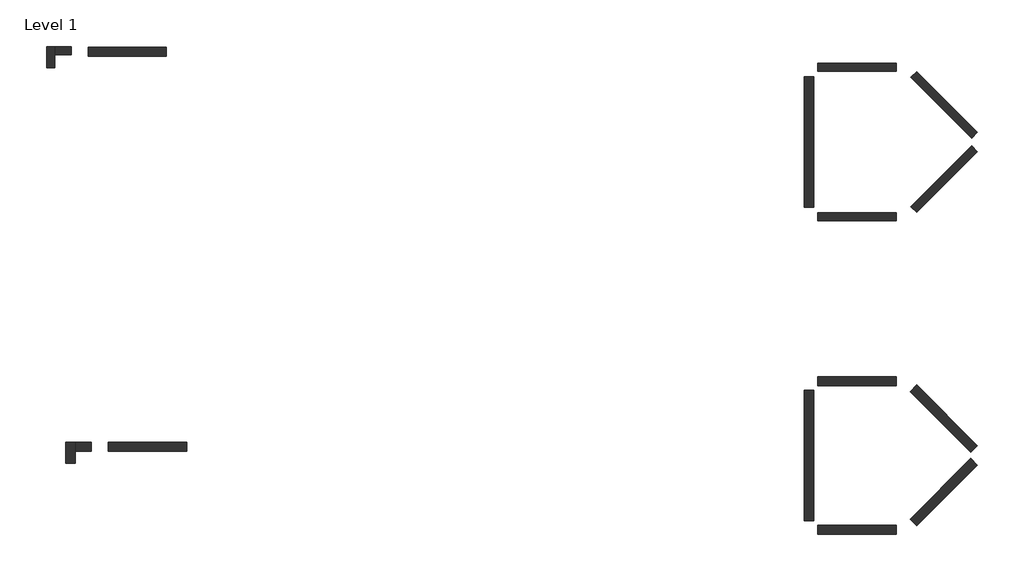
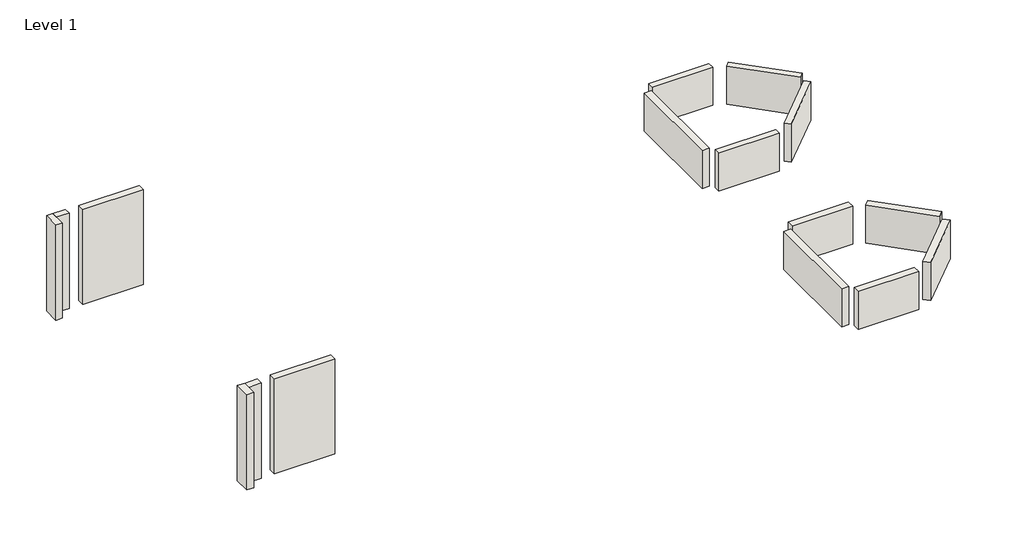
# One storey: 16 walls.
"""IFC4 building model written with IfcOpenShell, lengths in millimetres."""

from ifc_helpers import new_model, si_unit, origin, origin_with_axes, place, context, project, spatial, polyline, outline, extrude, faceted_brep, element, save

model = new_model("IFC4")

# Units and contexts
model_context = context("Model", 3, world=origin())
ifc_project = project(units=[si_unit("LENGTHUNIT", "METRE", prefix="MILLI")], contexts=[model_context])

# Site, building, storey
site = spatial("IfcSite", under=ifc_project)
building = spatial("IfcBuilding", under=site)
storey = spatial("IfcBuildingStorey", under=building, Name="Level 1", Elevation=0.0)

# Walls
placement = place(None, origin())
element("IfcWall", 1, at=placement, inside=storey, context=model_context, shape_type="SweptSolid", body=[
    extrude(outline(polyline([(35447.9276449, -2726.4081153), (39105.5276449, -2726.4081153), (39105.5276449, -3107.4081153), (35447.9276449, -3107.4081153), (35447.9276449, -2726.4081153)])), origin_with_axes(), (0.0, 0.0, 1.0), 2438.4),
])
element("IfcWall", 2, at=placement, inside=storey, context=model_context, shape_type="SweptSolid", body=[
    extrude(outline(polyline([(34812.9276449, -9457.4081153), (34812.9276449, -3361.4081153), (35244.7276449, -3361.4081153), (35244.7276449, -9457.4081153), (34812.9276449, -9457.4081153)])), origin_with_axes(), (0.0, 0.0, 1.0), 2438.4),
])
element("IfcWall", 3, at=placement, inside=storey, context=model_context, shape_type="SweptSolid", body=[
    extrude(outline(polyline([(39105.5276449, -10092.4081153), (35447.9276449, -10092.4081153), (35447.9276449, -9711.4081153), (39105.5276449, -9711.4081153), (39105.5276449, -10092.4081153)])), origin_with_axes(), (0.0, 0.0, 1.0), 2438.4),
])
element("IfcWall", 4, at=placement, inside=storey, context=model_context, shape_type="SweptSolid", body=[
    extrude(outline(polyline([(42898.3148389, -6858.4209214), (40059.4589143, -9697.276846), (39790.0512306, -9427.8691623), (42628.9071552, -6589.0132377), (42898.3148389, -6858.4209214)])), origin_with_axes(), (0.0, 0.0, 1.0), 2438.4),
])
element("IfcWall", 5, at=placement, inside=storey, context=model_context, shape_type="SweptSolid", body=[
    extrude(outline(polyline([(42628.9071552, -6229.8029929), (39790.0512306, -3390.9470683), (40059.4589143, -3121.5393846), (42898.3148389, -5960.3953093), (42628.9071552, -6229.8029929)])), origin_with_axes(), (0.0, 0.0, 1.0), 2438.4),
])
element("IfcWall", 6, at=placement, inside=storey, context=model_context, shape_type="SweptSolid", body=[
    extrude(outline(polyline([(35447.9276449, -17356.8081153), (39105.5276449, -17356.8081153), (39105.5276449, -17788.6081153), (35447.9276449, -17788.6081153), (35447.9276449, -17356.8081153)])), origin_with_axes(), (0.0, 0.0, 1.0), 2438.4),
])
element("IfcWall", 7, at=placement, inside=storey, context=model_context, shape_type="SweptSolid", body=[
    extrude(outline(polyline([(34812.9276449, -24087.8081153), (34812.9276449, -17991.8081153), (35244.7276449, -17991.8081153), (35244.7276449, -24087.8081153), (34812.9276449, -24087.8081153)])), origin_with_axes(), (0.0, 0.0, 1.0), 2438.4),
])
element("IfcWall", 8, at=placement, inside=storey, context=model_context, shape_type="SweptSolid", body=[
    extrude(outline(polyline([(39105.5276449, -24722.8081153), (35447.9276449, -24722.8081153), (35447.9276449, -24291.0081153), (39105.5276449, -24291.0081153), (39105.5276449, -24722.8081153)])), origin_with_axes(), (0.0, 0.0, 1.0), 2438.4),
])
element("IfcWall", 9, at=placement, inside=storey, context=model_context, shape_type="SweptSolid", body=[
    extrude(outline(polyline([(42898.3148389, -21488.8209214), (40059.4589143, -24327.676846), (39754.1302061, -24022.3481379), (42592.9861308, -21183.4922132), (42898.3148389, -21488.8209214)])), origin_with_axes(), (0.0, 0.0, 1.0), 2438.4),
])
element("IfcWall", 10, at=placement, inside=storey, context=model_context, shape_type="SweptSolid", body=[
    extrude(outline(polyline([(42592.9861308, -20896.1240174), (39754.1302061, -18057.2680927), (40059.4589143, -17751.9393846), (42898.3148389, -20590.7953093), (42592.9861308, -20896.1240174)])), origin_with_axes(), (0.0, 0.0, 1.0), 2438.4),
])
element("IfcWall", 11, at=placement, inside=storey, context=model_context, shape_type="SweptSolid", body=[
    extrude(outline(polyline([(5024.718454, -2406.1926498), (1367.118454, -2406.1926498), (1367.118454, -1974.3926498), (5024.718454, -1974.3926498), (5024.718454, -2406.1926498)])), origin_with_axes(), (0.0, 0.0, 1.0), 6096.0),
])
element("IfcWall", 12, at=placement, inside=storey, context=model_context, shape_type="SweptSolid", body=[
    extrude(outline(polyline([(5976.5179494, -20846.5926498), (2318.9179494, -20846.5926498), (2318.9179494, -20414.7926498), (5976.5179494, -20414.7926498), (5976.5179494, -20846.5926498)])), origin_with_axes(), (0.0, 0.0, 1.0), 6096.0),
])
element("IfcWall", 13, at=placement, inside=storey, context=model_context, shape_type="Brep", body=[
    faceted_brep([(331.7366535, -20414.7926498, 0.0), (331.7366535, -21405.3926498, 0.0), (331.7366535, -21405.3926498, 6096.0), (331.7366535, -20414.7926498, 6096.0), (763.5366535, -20414.7926498, 0.0), (763.5366535, -20414.7926498, 6096.0), (763.5366535, -20846.5926498, 6096.0), (763.5366535, -21405.3926498, 6096.0), (763.5366535, -21405.3926498, 0.0), (763.5366535, -20846.5926498, 0.0)], [[[0, 1, 2, 3]], [[4, 5, 6, 7, 8, 9]], [[1, 0, 4, 9, 8]], [[2, 1, 8, 7]], [[3, 2, 7, 6, 5]], [[0, 3, 5, 4]]]),
])
element("IfcWall", 14, at=placement, inside=storey, context=model_context, shape_type="SweptSolid", body=[
    extrude(outline(polyline([(1525.5366535, -20846.5926498), (763.5366535, -20846.5926498), (763.5366535, -20414.7926498), (1525.5366535, -20414.7926498), (1525.5366535, -20846.5926498)])), origin_with_axes(), (0.0, 0.0, 1.0), 6096.0),
])
element("IfcWall", 15, at=placement, inside=storey, context=model_context, shape_type="Brep", body=[
    faceted_brep([(-569.2628419, -1948.9926498, 0.0), (-569.2628419, -2939.5926498, 0.0), (-569.2628419, -2939.5926498, 6096.0), (-569.2628419, -1948.9926498, 6096.0), (-188.2628419, -1948.9926498, 0.0), (-188.2628419, -1948.9926498, 6096.0), (-188.2628419, -2329.9926498, 6096.0), (-188.2628419, -2939.5926498, 6096.0), (-188.2628419, -2939.5926498, 0.0), (-188.2628419, -2329.9926498, 0.0)], [[[0, 1, 2, 3]], [[4, 5, 6, 7, 8, 9]], [[1, 0, 4, 9, 8]], [[2, 1, 8, 7]], [[3, 2, 7, 6, 5]], [[0, 3, 5, 4]]]),
])
element("IfcWall", 16, at=placement, inside=storey, context=model_context, shape_type="SweptSolid", body=[
    extrude(outline(polyline([(573.7371581, -2329.9926498), (-188.2628419, -2329.9926498), (-188.2628419, -1948.9926498), (573.7371581, -1948.9926498), (573.7371581, -2329.9926498)])), origin_with_axes(), (0.0, 0.0, 1.0), 6096.0),
])

save(model, "model.ifc")
